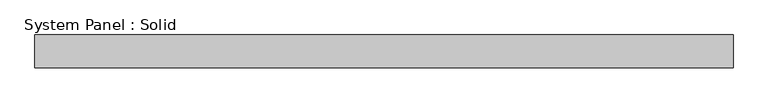
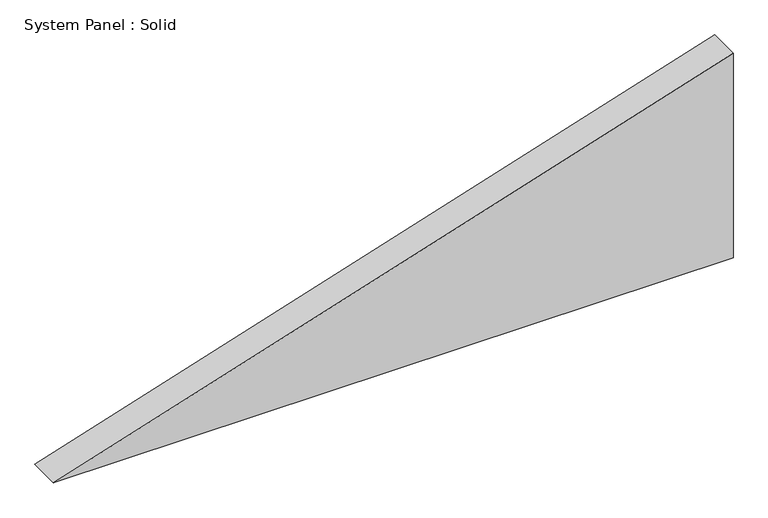
"""IFC4 building model written with IfcOpenShell, lengths in millimetres: plate geometry, System Panel : Solid."""

from ifc_helpers import new_model, si_unit, frame, origin, place, context, project, spatial, polyline, outline, extrude, source, transform, mapped, element, save


def system_panel_solid_cdfc9ad5(model_context):
    return source(origin(), model_context, "Body", "SweptSolid", [
        extrude(outline(polyline([(0.0, -640.6221751), (0.0, 640.6221751), (407.2824846, 640.6221751), (0.0, -640.6221751)])), frame((0.0, -10.5, 0.0), z_axis=(0.0, 1.0, 0.0), x_axis=(0.0, 0.0, 1.0)), (0.0, 0.0, 1.0), 60.0),
    ])


if __name__ == "__main__":
    model = new_model("IFC4")
    model_context = context("Model", 3, world=origin())
    ifc_project = project(units=[si_unit("LENGTHUNIT", "METRE", prefix="MILLI")], contexts=[model_context])
    site = spatial("IfcSite", under=ifc_project)
    building = spatial("IfcBuilding", under=site)
    placement = place(None, origin())
    system_panel_solid_shape = system_panel_solid_cdfc9ad5(model_context)
    element("IfcPlate", 1, ObjectType="System Panel : Solid", at=placement, inside=building, context=model_context, shape_type="MappedRepresentation", body=[
        mapped(system_panel_solid_shape, transform((0.0, 0.0, 0.0), x_axis=(1.0, 0.0, 0.0), y_axis=(0.0, 1.0, 0.0), z_axis=(0.0, 0.0, 1.0))),
    ])
    save(model, "model.ifc")
